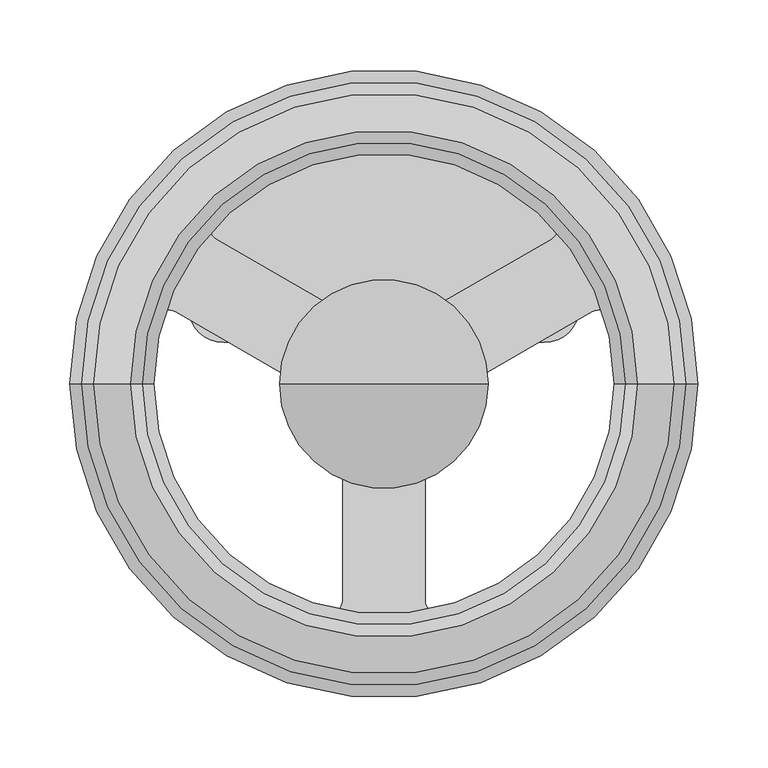
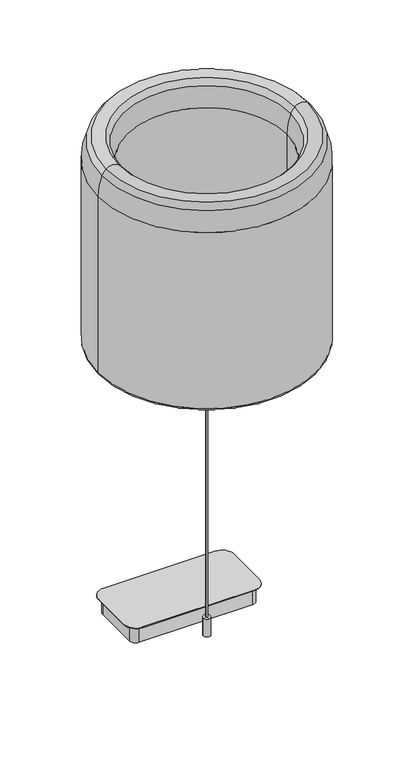
"""IFC4 building model written with IfcOpenShell, lengths in millimetres: light fixture geometry."""

from ifc_helpers import new_model, si_unit, point, frame, frame_2d, origin, origin_with_axes, origin_2d, place, context, project, spatial, polyline, circle_curve, ellipse_curve, trimmed, segment, composite_curve, outline, extrude, source, transform, mapped, element, save
from ifc_brep_helpers import plane_surface, cylinder_surface, revolved_surface, advanced_brep


def light_fixture_1a3c90e7(model_context):
    return source(origin(), model_context, "Body", "SolidModel", [
        extrude(outline(composite_curve([segment(trimmed(circle_curve(origin_2d(), 213.1181009), [point((-213.1181009, 0.0))], [point((213.1181009, 0.0))], False, "CARTESIAN"), True, "CONTINUOUS"), segment(trimmed(circle_curve(origin_2d(), 213.1181009), [point((213.1181009, 0.0))], [point((-213.1181009, 0.0))], False, "CARTESIAN"), True, "CONTINUOUS")], self_intersect=False), holes=[composite_curve([segment(polyline([(-54.0912483, -3.4226), (-149.5448402, 51.6875595)]), True, "CONTINUOUS"), segment(trimmed(circle_curve(frame_2d((-154.3708403, 43.3286824)), 9.652), [point((-149.5448402, 51.6875595))], [point((-163.6637284, 45.9370027))], True, "CARTESIAN"), True, "CONTINUOUS"), segment(trimmed(circle_curve(origin_2d(), 169.9883061), [point((-163.6637284, 45.9370027))], [point((-42.0533, -164.7044146))], True, "CARTESIAN"), True, "CONTINUOUS"), segment(trimmed(circle_curve(frame_2d((-39.6654978, -155.3524359)), 9.652), [point((-42.0533, -164.7044146))], [point((-30.0134978, -155.3524359))], True, "CARTESIAN"), True, "CONTINUOUS"), segment(polyline([(-30.0134978, -155.3524359), (-30.0134978, -45.1146631)]), True, "CONTINUOUS"), segment(trimmed(circle_curve(frame_2d((-40.9354978, -45.1146631)), 10.922), [point((-30.0134978, -45.1146631))], [point((-33.5853535, -37.0359589))], True, "CARTESIAN"), True, "CONTINUOUS"), segment(trimmed(circle_curve(frame_2d((0.2732604, 0.1787836)), 50.3124517), [point((-33.5853535, -37.0359589))], [point((-48.8815527, -10.55188))], False, "CARTESIAN"), True, "CONTINUOUS"), segment(trimmed(circle_curve(frame_2d((-59.5522485, -12.8813293)), 10.922), [point((-48.8815527, -10.55188))], [point((-54.0912483, -3.4226))], True, "CARTESIAN"), True, "CONTINUOUS")], self_intersect=False), composite_curve([segment(polyline([(-119.6918508, 103.7475033), (-24.7553785, 48.9359093)]), True, "CONTINUOUS"), segment(trimmed(circle_curve(frame_2d((-18.4053788, 59.9344321)), 12.7), [point((-24.7553785, 48.9359093))], [point((-14.6771479, 47.7939917))], True, "CARTESIAN"), True, "CONTINUOUS"), segment(trimmed(circle_curve(origin_2d(), 49.996843), [point((-14.6771479, 47.7939917))], [point((-6.0356694, 49.6311899))], False, "CARTESIAN"), True, "CONTINUOUS"), segment(trimmed(circle_curve(frame_2d((-5.7903643, 47.6140509)), 2.032), [point((-6.0356694, 49.6311899))], [point((-3.7583643, 47.6140509))], False, "CARTESIAN"), True, "CONTINUOUS"), segment(polyline([(-3.7583643, 47.6140509), (-3.7583643, 18.424465)]), True, "CONTINUOUS"), segment(trimmed(circle_curve(frame_2d((-0.0076309, 18.424465)), 3.7507334), [point((-3.7583643, 18.424465))], [point((3.7431025, 18.424465))], True, "CARTESIAN"), True, "CONTINUOUS"), segment(polyline([(3.7431025, 18.424465), (3.7431025, 47.5023113)]), True, "CONTINUOUS"), segment(trimmed(circle_curve(frame_2d((5.8756308, 47.5023113)), 2.1325283), [point((3.7431025, 47.5023113))], [point((6.1374115, 49.6187111))], False, "CARTESIAN"), True, "CONTINUOUS"), segment(trimmed(circle_curve(origin_2d(), 49.996843), [point((6.1374115, 49.6187111))], [point((14.6692018, 47.7964311))], False, "CARTESIAN"), True, "CONTINUOUS"), segment(trimmed(circle_curve(frame_2d((18.3954144, 59.9374912)), 12.7), [point((14.6692018, 47.7964311))], [point((24.7454139, 48.9389683))], True, "CARTESIAN"), True, "CONTINUOUS"), segment(polyline([(24.7454139, 48.9389683), (120.0132322, 103.9418637)]), True, "CONTINUOUS"), segment(trimmed(circle_curve(frame_2d((115.1872325, 112.3007411)), 9.652), [point((120.0132322, 103.9418637))], [point((122.1059732, 119.0306839))], True, "CARTESIAN"), True, "CONTINUOUS"), segment(trimmed(circle_curve(frame_2d((0.2550595, 0.5048259)), 169.9883061), [point((122.1059732, 119.0306839))], [point((-121.7959535, 118.8246233))], True, "CARTESIAN"), True, "CONTINUOUS"), segment(trimmed(circle_curve(frame_2d((-114.865851, 112.1063807)), 9.652), [point((-121.7959535, 118.8246233))], [point((-119.6918508, 103.7475033))], True, "CARTESIAN"), True, "CONTINUOUS")], self_intersect=False), composite_curve([segment(polyline([(149.542712, 51.6951415), (54.093449, -3.412516)]), True, "CONTINUOUS"), segment(trimmed(circle_curve(frame_2d((59.554449, -12.8712455)), 10.922), [point((54.093449, -3.412516))], [point((48.8833607, -10.5435947))], True, "CARTESIAN"), True, "CONTINUOUS"), segment(trimmed(circle_curve(frame_2d((-0.2732604, 0.1787836)), 50.3124517), [point((48.8833607, -10.5435947))], [point((33.5617786, -37.057394))], False, "CARTESIAN"), True, "CONTINUOUS"), segment(trimmed(circle_curve(frame_2d((40.8792287, -45.110403)), 10.8809939), [point((33.5617786, -37.057394))], [point((29.9982348, -45.110403))], True, "CARTESIAN"), True, "CONTINUOUS"), segment(polyline([(29.9982348, -45.110403), (29.9982348, -155.347735)]), True, "CONTINUOUS"), segment(trimmed(circle_curve(frame_2d((39.6569131, -155.347735)), 9.6586783), [point((29.9982348, -155.347735))], [point((42.0459499, -164.7062911))], True, "CARTESIAN"), True, "CONTINUOUS"), segment(trimmed(circle_curve(origin_2d(), 169.9883061), [point((42.0459499, -164.7062911))], [point((163.661472, 45.9450411))], True, "CARTESIAN"), True, "CONTINUOUS"), segment(trimmed(circle_curve(frame_2d((154.368712, 43.3362643)), 9.652), [point((163.661472, 45.9450411))], [point((149.542712, 51.6951415))], True, "CARTESIAN"), True, "CONTINUOUS")], self_intersect=False)]), frame((0.0, 0.0, 648.1075333), z_axis=(0.0, 0.0, 1.0), x_axis=(1.0, 0.0, 0.0)), (0.0, 0.0, 1.0), 3.0005436),
        extrude(outline(composite_curve([segment(trimmed(circle_curve(origin_2d(), 37.8076782), [point((36.124612, 11.1549514))], [point((37.7612494, 1.8731195))], False, "CARTESIAN"), True, "CONTINUOUS"), segment(polyline([(37.7612494, 1.8731195), (49.2962397, 1.8731195), (49.9905397, 1.3869654), (49.9905397, -1.3869654), (49.2962397, -1.8731195), (37.7612494, -1.8731195)]), True, "CONTINUOUS"), segment(trimmed(circle_curve(origin_2d(), 37.8076782), [point((37.7612494, -1.8731195))], [point((36.124612, -11.1549514))], False, "CARTESIAN"), True, "CONTINUOUS"), segment(polyline([(36.124612, -11.1549514), (46.9639572, -15.1001504), (47.4501113, -15.7944504), (46.5013711, -18.4010927), (45.682668, -18.6204635), (34.8433228, -14.6752645)]), True, "CONTINUOUS"), segment(trimmed(circle_curve(origin_2d(), 37.8076782), [point((34.8433228, -14.6752645))], [point((30.1308132, -22.8375704))], False, "CARTESIAN"), True, "CONTINUOUS"), segment(polyline([(30.1308132, -22.8375704), (38.9671284, -30.2521193), (39.1864993, -31.0708224), (37.4034509, -33.1957766), (36.5590925, -33.1219048), (27.7227772, -25.707356)]), True, "CONTINUOUS"), segment(trimmed(circle_curve(origin_2d(), 37.8076782), [point((27.7227772, -25.707356))], [point((20.5027937, -31.7656415))], False, "CARTESIAN"), True, "CONTINUOUS"), segment(polyline([(20.5027937, -31.7656415), (26.2702889, -41.7552361), (26.1964171, -42.5995946), (23.7941226, -43.98656), (23.0259508, -43.6283556), (17.2584556, -33.638761)]), True, "CONTINUOUS"), segment(trimmed(circle_curve(origin_2d(), 37.8076782), [point((17.2584556, -33.638761))], [point((8.4018347, -36.8623073))], False, "CARTESIAN"), True, "CONTINUOUS"), segment(polyline([(8.4018347, -36.8623073), (10.4048648, -48.2220552), (10.0466604, -48.990227), (7.3148718, -49.471915), (6.7155396, -48.8725828), (4.7125096, -37.5128349)]), True, "CONTINUOUS"), segment(trimmed(circle_curve(origin_2d(), 37.8076782), [point((4.7125096, -37.5128349))], [point((-4.7125096, -37.5128349))], False, "CARTESIAN"), True, "CONTINUOUS"), segment(polyline([(-4.7125096, -37.5128349), (-6.7155396, -48.8725828), (-7.3148718, -49.471915), (-10.0466604, -48.990227), (-10.4048648, -48.2220552), (-8.4018347, -36.8623073)]), True, "CONTINUOUS"), segment(trimmed(circle_curve(origin_2d(), 37.8076782), [point((-8.4018347, -36.8623073))], [point((-17.2584556, -33.638761))], False, "CARTESIAN"), True, "CONTINUOUS"), segment(polyline([(-17.2584556, -33.638761), (-23.0259508, -43.6283556), (-23.7941226, -43.98656), (-26.1964171, -42.5995946), (-26.2702889, -41.7552361), (-20.5027937, -31.7656415)]), True, "CONTINUOUS"), segment(trimmed(circle_curve(origin_2d(), 37.8076782), [point((-20.5027937, -31.7656415))], [point((-27.7227772, -25.707356))], False, "CARTESIAN"), True, "CONTINUOUS"), segment(polyline([(-27.7227772, -25.707356), (-36.5590925, -33.1219048), (-37.4034509, -33.1957766), (-39.1864993, -31.0708224), (-38.9671284, -30.2521193), (-30.1308132, -22.8375704)]), True, "CONTINUOUS"), segment(trimmed(circle_curve(origin_2d(), 37.8076782), [point((-30.1308132, -22.8375704))], [point((-34.8433228, -14.6752645))], False, "CARTESIAN"), True, "CONTINUOUS"), segment(polyline([(-34.8433228, -14.6752645), (-45.682668, -18.6204635), (-46.5013711, -18.4010927), (-47.4501113, -15.7944504), (-46.9639572, -15.1001504), (-36.124612, -11.1549514)]), True, "CONTINUOUS"), segment(trimmed(circle_curve(origin_2d(), 37.8076782), [point((-36.124612, -11.1549514))], [point((-37.7612494, -1.8731195))], False, "CARTESIAN"), True, "CONTINUOUS"), segment(polyline([(-37.7612494, -1.8731195), (-49.2962397, -1.8731195), (-49.9905397, -1.3869654), (-49.9905397, 1.3869654), (-49.2962397, 1.8731195), (-37.7612494, 1.8731195)]), True, "CONTINUOUS"), segment(trimmed(circle_curve(origin_2d(), 37.8076782), [point((-37.7612494, 1.8731195))], [point((-36.124612, 11.1549514))], False, "CARTESIAN"), True, "CONTINUOUS"), segment(polyline([(-36.124612, 11.1549514), (-46.9639572, 15.1001504), (-47.4501113, 15.7944504), (-46.5013711, 18.4010927), (-45.682668, 18.6204635), (-34.8433228, 14.6752645)]), True, "CONTINUOUS"), segment(trimmed(circle_curve(origin_2d(), 37.8076782), [point((-34.8433228, 14.6752645))], [point((-30.1308132, 22.8375704))], False, "CARTESIAN"), True, "CONTINUOUS"), segment(polyline([(-30.1308132, 22.8375704), (-38.9671284, 30.2521193), (-39.1864993, 31.0708224), (-37.4034509, 33.1957766), (-36.5590925, 33.1219048), (-27.7227772, 25.707356)]), True, "CONTINUOUS"), segment(trimmed(circle_curve(origin_2d(), 37.8076782), [point((-27.7227772, 25.707356))], [point((-20.5027937, 31.7656415))], False, "CARTESIAN"), True, "CONTINUOUS"), segment(polyline([(-20.5027937, 31.7656415), (-26.2702889, 41.7552361), (-26.1964171, 42.5995946), (-23.7941226, 43.98656), (-23.0259508, 43.6283556), (-17.2584556, 33.638761)]), True, "CONTINUOUS"), segment(trimmed(circle_curve(origin_2d(), 37.8076782), [point((-17.2584556, 33.638761))], [point((-8.4018347, 36.8623073))], False, "CARTESIAN"), True, "CONTINUOUS"), segment(polyline([(-8.4018347, 36.8623073), (-10.4048648, 48.2220552), (-10.0466604, 48.990227), (-7.3148718, 49.471915), (-6.7155396, 48.8725828), (-4.7125096, 37.5128349)]), True, "CONTINUOUS"), segment(trimmed(circle_curve(origin_2d(), 37.8076782), [point((-4.7125096, 37.5128349))], [point((4.7125096, 37.5128349))], False, "CARTESIAN"), True, "CONTINUOUS"), segment(polyline([(4.7125096, 37.5128349), (6.7155396, 48.8725828), (7.3148718, 49.471915), (10.0466604, 48.990227), (10.4048648, 48.2220552), (8.4018347, 36.8623073)]), True, "CONTINUOUS"), segment(trimmed(circle_curve(origin_2d(), 37.8076782), [point((8.4018347, 36.8623073))], [point((17.2584556, 33.638761))], False, "CARTESIAN"), True, "CONTINUOUS"), segment(polyline([(17.2584556, 33.638761), (23.0259508, 43.6283556), (23.7941226, 43.98656), (26.1964171, 42.5995946), (26.2702889, 41.7552361), (20.5027937, 31.7656415)]), True, "CONTINUOUS"), segment(trimmed(circle_curve(origin_2d(), 37.8076782), [point((20.5027937, 31.7656415))], [point((27.7227772, 25.707356))], False, "CARTESIAN"), True, "CONTINUOUS"), segment(polyline([(27.7227772, 25.707356), (36.5590925, 33.1219048), (37.4034509, 33.1957766), (39.1864993, 31.0708224), (38.9671284, 30.2521193), (30.1308132, 22.8375704)]), True, "CONTINUOUS"), segment(trimmed(circle_curve(origin_2d(), 37.8076782), [point((30.1308132, 22.8375704))], [point((34.8433228, 14.6752645))], False, "CARTESIAN"), True, "CONTINUOUS"), segment(polyline([(34.8433228, 14.6752645), (45.682668, 18.6204635), (46.5013711, 18.4010927), (47.4501113, 15.7944504), (46.9639572, 15.1001504), (36.124612, 11.1549514)]), True, "CONTINUOUS")], self_intersect=False)), frame((0.0, 0.0, 651.1080769), z_axis=(0.0, 0.0, 1.0), x_axis=(1.0, 0.0, 0.0)), (0.0, 0.0, 1.0), 60.5118587),
        advanced_brep(
        [(-18.2476326, 0.0, 711.6199356), (18.2476326, 0.0, 711.6199356), (0.0, 0.0, 711.6199356), (-50.736755, 0.0, 713.4355345), (50.736755, 0.0, 713.4355345), (-51.4676513, 0.0, 714.0407366), (51.4676513, 0.0, 714.0407366), (0.0, 0.0, 843.452441)],
        [
            (0, 1, circle_curve(frame((0.0, 0.0, 711.6199356), z_axis=(0.0, 0.0, -1.0), x_axis=(1.0, 0.0, 0.0)), 18.2476326)),
            (1, 2),
            (2, 0),
            (1, 0, circle_curve(frame((0.0, 0.0, 711.6199356), z_axis=(0.0, 0.0, -1.0), x_axis=(1.0, 0.0, 0.0)), 18.2476326)),
            (3, 4, circle_curve(frame((0.0, 0.0, 713.4355345), z_axis=(0.0, 0.0, -1.0), x_axis=(1.0, 0.0, 0.0)), 50.736755)),
            (4, 1, circle_curve(frame((19.5899482, 0.0, 979.1950529), z_axis=(0.0, 1.0, 0.0), x_axis=(1.0, 0.0, 0.0)), 267.5784842)),
            (0, 3, circle_curve(frame((-19.5899482, 0.0, 979.1950529), z_axis=(0.0, 1.0, 0.0), x_axis=(-1.0, 0.0, 0.0)), 267.5784842)),
            (4, 3, circle_curve(frame((0.0, 0.0, 713.4355345), z_axis=(0.0, 0.0, -1.0), x_axis=(1.0, 0.0, 0.0)), 50.736755)),
            (5, 6, circle_curve(frame((0.0, 0.0, 714.0407366), z_axis=(0.0, 0.0, -1.0), x_axis=(1.0, 0.0, 0.0)), 51.4676513)),
            (6, 4, circle_curve(frame((47.5069212, 0.0, 718.0801202), z_axis=(0.0, 1.0, 0.0), x_axis=(1.0, 0.0, 0.0)), 5.657208)),
            (3, 5, circle_curve(frame((-47.5069212, 0.0, 718.0801202), z_axis=(0.0, 1.0, 0.0), x_axis=(-1.0, 0.0, 0.0)), 5.657208)),
            (6, 5, circle_curve(frame((0.0, 0.0, 714.0407366), z_axis=(0.0, 0.0, -1.0), x_axis=(1.0, 0.0, 0.0)), 51.4676513)),
            (7, 6, circle_curve(frame((-0.2606426, 0.0, 768.408465), z_axis=(0.0, 1.0, 0.0), x_axis=(1.0, 0.0, 0.0)), 75.0444287)),
            (5, 7, circle_curve(frame((0.2606426, 0.0, 768.408465), z_axis=(0.0, 1.0, 0.0), x_axis=(-1.0, 0.0, 0.0)), 75.0444287)),
        ],
        [
            plane_surface(frame((0.0, 0.0, 711.6199356), z_axis=(0.0, 0.0, -1.0), x_axis=(1.0, 0.0, 0.0))),
            revolved_surface(trimmed(ellipse_curve(frame((19.5899482, 0.0, 979.1950529), z_axis=(0.0, -1.0, 0.0), x_axis=(1.0, 0.0, 0.0)), 267.5784842, 267.5784842), [point((18.2476326, 0.0, 711.6199356))], [point((50.736755, 0.0, 713.4355345))], True, "CARTESIAN"), (0.0, 0.0, 965.6199356), (0.0, 0.0, 1.0)),
            revolved_surface(trimmed(ellipse_curve(frame((47.5069212, 0.0, 718.0801202), z_axis=(0.0, -1.0, 0.0), x_axis=(1.0, 0.0, 0.0)), 5.657208, 5.657208), [point((50.736755, 0.0, 713.4355345))], [point((51.4676513, 0.0, 714.0407366))], True, "CARTESIAN"), (0.0, 0.0, 965.6199356), (0.0, 0.0, 1.0)),
            revolved_surface(trimmed(ellipse_curve(frame((-0.2606426, 0.0, 768.408465), z_axis=(0.0, -1.0, 0.0), x_axis=(1.0, 0.0, 0.0)), 75.0444287, 75.0444287), [point((51.4676513, 0.0, 714.0407366))], [point((0.0, 0.0, 843.452441))], True, "CARTESIAN"), (0.0, 0.0, 965.6199356), (0.0, 0.0, 1.0)),
        ],
        [
            (0, [[1, 2, 3]]),
            (0, [[4, -3, -2]]),
            (1, [[5, 6, -1, 7]]),
            (1, [[8, -7, -4, -6]]),
            (2, [[9, 10, -5, 11]]),
            (2, [[12, -11, -8, -10]]),
            (3, [[13, -9, 14]]),
            (3, [[-14, -12, -13]]),
        ],
    ),
        advanced_brep(
        [(-165.0322595, 0.0, 656.3624635), (165.0322595, 0.0, 656.3624635), (165.0322595, 0.0, 1035.6416039), (-165.0322595, 0.0, 1035.6416039), (-170.4569846, 0.0, 650.9377384), (170.4569846, 0.0, 650.9377384), (-213.1181009, 0.0, 650.9377384), (213.1181009, 0.0, 650.9377384), (-213.1181009, 0.0, 649.876369), (213.1181009, 0.0, 649.876369), (-216.8766408, 0.0, 646.1178291), (216.8766408, 0.0, 646.1178291), (-220.3911932, 0.0, 646.1178291), (220.3911932, 0.0, 646.1178291), (-225.2324801, 0.0, 650.9591161), (225.2324801, 0.0, 650.9591161), (-225.2324801, 0.0, 1035.6416039), (225.2324801, 0.0, 1035.6416039), (-216.9484603, 0.0, 1078.2641962), (216.9484603, 0.0, 1078.2641962), (-208.3561767, 0.0, 1090.091007), (208.3561767, 0.0, 1090.091007), (-181.9085628, 0.0, 1090.091007), (181.9085628, 0.0, 1090.091007), (-173.3162792, 0.0, 1078.2641962), (173.3162792, 0.0, 1078.2641962)],
        [
            (0, 1, circle_curve(frame((0.0, 0.0, 656.3624635), z_axis=(0.0, 0.0, -1.0), x_axis=(1.0, 0.0, 0.0)), 165.0322595)),
            (1, 2),
            (2, 3, circle_curve(frame((0.0, 0.0, 1035.6416039), z_axis=(0.0, 0.0, 1.0), x_axis=(1.0, 0.0, 0.0)), 165.0322595)),
            (3, 0),
            (1, 0, circle_curve(frame((0.0, 0.0, 656.3624635), z_axis=(0.0, 0.0, -1.0), x_axis=(1.0, 0.0, 0.0)), 165.0322595)),
            (3, 2, circle_curve(frame((0.0, 0.0, 1035.6416039), z_axis=(0.0, 0.0, 1.0), x_axis=(1.0, 0.0, 0.0)), 165.0322595)),
            (4, 5, circle_curve(frame((0.0, 0.0, 650.9377384), z_axis=(0.0, 0.0, -1.0), x_axis=(1.0, 0.0, 0.0)), 170.4569846)),
            (5, 1, circle_curve(frame((170.4569846, 0.0, 656.3624635), z_axis=(0.0, 1.0, 0.0), x_axis=(1.0, 0.0, 0.0)), 5.4247251)),
            (0, 4, circle_curve(frame((-170.4569846, 0.0, 656.3624635), z_axis=(0.0, 1.0, 0.0), x_axis=(-1.0, 0.0, 0.0)), 5.4247251)),
            (5, 4, circle_curve(frame((0.0, 0.0, 650.9377384), z_axis=(0.0, 0.0, -1.0), x_axis=(1.0, 0.0, 0.0)), 170.4569846)),
            (6, 7, circle_curve(frame((0.0, 0.0, 650.9377384), z_axis=(0.0, 0.0, -1.0), x_axis=(1.0, 0.0, 0.0)), 213.1181009)),
            (7, 5),
            (4, 6),
            (7, 6, circle_curve(frame((0.0, 0.0, 650.9377384), z_axis=(0.0, 0.0, -1.0), x_axis=(1.0, 0.0, 0.0)), 213.1181009)),
            (8, 9, circle_curve(frame((0.0, 0.0, 649.876369), z_axis=(0.0, 0.0, -1.0), x_axis=(1.0, 0.0, 0.0)), 213.1181009)),
            (9, 7),
            (6, 8),
            (9, 8, circle_curve(frame((0.0, 0.0, 649.876369), z_axis=(0.0, 0.0, -1.0), x_axis=(1.0, 0.0, 0.0)), 213.1181009)),
            (10, 11, circle_curve(frame((0.0, 0.0, 646.1178291), z_axis=(0.0, 0.0, -1.0), x_axis=(1.0, 0.0, 0.0)), 216.8766408)),
            (11, 9, circle_curve(frame((216.8766408, 0.0, 649.876369), z_axis=(0.0, 1.0, 0.0), x_axis=(1.0, 0.0, 0.0)), 3.7585398)),
            (8, 10, circle_curve(frame((-216.8766408, 0.0, 649.876369), z_axis=(0.0, 1.0, 0.0), x_axis=(-1.0, 0.0, 0.0)), 3.7585398)),
            (11, 10, circle_curve(frame((0.0, 0.0, 646.1178291), z_axis=(0.0, 0.0, -1.0), x_axis=(1.0, 0.0, 0.0)), 216.8766408)),
            (12, 13, circle_curve(frame((0.0, 0.0, 646.1178291), z_axis=(0.0, 0.0, -1.0), x_axis=(1.0, 0.0, 0.0)), 220.3911932)),
            (13, 11),
            (10, 12),
            (13, 12, circle_curve(frame((0.0, 0.0, 646.1178291), z_axis=(0.0, 0.0, -1.0), x_axis=(1.0, 0.0, 0.0)), 220.3911932)),
            (14, 15, circle_curve(frame((0.0, 0.0, 650.9591161), z_axis=(0.0, 0.0, -1.0), x_axis=(1.0, 0.0, 0.0)), 225.2324801)),
            (15, 13, circle_curve(frame((220.3911932, 0.0, 650.9591161), z_axis=(0.0, 1.0, 0.0), x_axis=(1.0, 0.0, 0.0)), 4.8412869)),
            (12, 14, circle_curve(frame((-220.3911932, 0.0, 650.9591161), z_axis=(0.0, 1.0, 0.0), x_axis=(-1.0, 0.0, 0.0)), 4.8412869)),
            (15, 14, circle_curve(frame((0.0, 0.0, 650.9591161), z_axis=(0.0, 0.0, -1.0), x_axis=(1.0, 0.0, 0.0)), 225.2324801)),
            (16, 17, circle_curve(frame((0.0, 0.0, 1035.6416039), z_axis=(0.0, 0.0, -1.0), x_axis=(1.0, 0.0, 0.0)), 225.2324801)),
            (17, 15),
            (14, 16),
            (17, 16, circle_curve(frame((0.0, 0.0, 1035.6416039), z_axis=(0.0, 0.0, -1.0), x_axis=(1.0, 0.0, 0.0)), 225.2324801)),
            (18, 19, circle_curve(frame((0.0, 0.0, 1078.2641962), z_axis=(0.0, 0.0, -1.0), x_axis=(1.0, 0.0, 0.0)), 216.9484603)),
            (19, 17, circle_curve(frame((111.4404801, 0.0, 1035.6416039), z_axis=(0.0, 1.0, 0.0), x_axis=(1.0, 0.0, 0.0)), 113.792)),
            (16, 18, circle_curve(frame((-111.4404801, 0.0, 1035.6416039), z_axis=(0.0, 1.0, 0.0), x_axis=(-1.0, 0.0, 0.0)), 113.792)),
            (19, 18, circle_curve(frame((0.0, 0.0, 1078.2641962), z_axis=(0.0, 0.0, -1.0), x_axis=(1.0, 0.0, 0.0)), 216.9484603)),
            (20, 21, circle_curve(frame((0.0, 0.0, 1090.091007), z_axis=(0.0, 0.0, -1.0), x_axis=(1.0, 0.0, 0.0)), 208.3561767)),
            (21, 19, circle_curve(frame((188.937167, 0.0, 1066.9483324), z_axis=(0.0, 1.0, 0.0), x_axis=(1.0, 0.0, 0.0)), 30.2106162)),
            (18, 20, circle_curve(frame((-188.937167, 0.0, 1066.9483324), z_axis=(0.0, 1.0, 0.0), x_axis=(-1.0, 0.0, 0.0)), 30.2106162)),
            (21, 20, circle_curve(frame((0.0, 0.0, 1090.091007), z_axis=(0.0, 0.0, -1.0), x_axis=(1.0, 0.0, 0.0)), 208.3561767)),
            (22, 23, circle_curve(frame((0.0, 0.0, 1090.091007), z_axis=(0.0, 0.0, -1.0), x_axis=(1.0, 0.0, 0.0)), 181.9085628)),
            (23, 21, circle_curve(frame((195.1323698, 0.0, 1074.3314876), z_axis=(0.0, 1.0, 0.0), x_axis=(1.0, 0.0, 0.0)), 20.5725915)),
            (20, 22, circle_curve(frame((-195.1323698, 0.0, 1074.3314876), z_axis=(0.0, 1.0, 0.0), x_axis=(-1.0, 0.0, 0.0)), 20.5725915)),
            (23, 22, circle_curve(frame((0.0, 0.0, 1090.091007), z_axis=(0.0, 0.0, -1.0), x_axis=(1.0, 0.0, 0.0)), 181.9085628)),
            (24, 25, circle_curve(frame((0.0, 0.0, 1078.2641962), z_axis=(0.0, 0.0, -1.0), x_axis=(1.0, 0.0, 0.0)), 173.3162792)),
            (25, 23, circle_curve(frame((201.3275726, 0.0, 1066.9483324), z_axis=(0.0, 1.0, 0.0), x_axis=(1.0, 0.0, 0.0)), 30.2106162)),
            (22, 24, circle_curve(frame((-201.3275726, 0.0, 1066.9483324), z_axis=(0.0, 1.0, 0.0), x_axis=(-1.0, 0.0, 0.0)), 30.2106162)),
            (25, 24, circle_curve(frame((0.0, 0.0, 1078.2641962), z_axis=(0.0, 0.0, -1.0), x_axis=(1.0, 0.0, 0.0)), 173.3162792)),
            (2, 25, circle_curve(frame((278.8242595, 0.0, 1035.6416039), z_axis=(0.0, 1.0, 0.0), x_axis=(1.0, 0.0, 0.0)), 113.792)),
            (24, 3, circle_curve(frame((-278.8242595, 0.0, 1035.6416039), z_axis=(0.0, 1.0, 0.0), x_axis=(-1.0, 0.0, 0.0)), 113.792)),
        ],
        [
            revolved_surface(polyline([(165.0322595, 0.0, 1035.6416039), (165.0322595, 0.0, 656.3624635)]), (0.0, 0.0, 562.0377384), (0.0, 0.0, 1.0)),
            revolved_surface(trimmed(ellipse_curve(frame((170.4569846, 0.0, 656.3624635), z_axis=(0.0, -1.0, 0.0), x_axis=(1.0, 0.0, 0.0)), 5.4247251, 5.4247251), [point((165.0322595, 0.0, 656.3624635))], [point((170.4569846, 0.0, 650.9377384))], True, "CARTESIAN"), (0.0, 0.0, 562.0377384), (0.0, 0.0, 1.0)),
            plane_surface(frame((0.0, 0.0, 650.9377384), z_axis=(0.0, 0.0, -1.0), x_axis=(1.0, 0.0, 0.0))),
            revolved_surface(polyline([(213.1181009, 0.0, 650.9377384), (213.1181009, 0.0, 649.876369)]), (0.0, 0.0, 562.0377384), (0.0, 0.0, 1.0)),
            revolved_surface(trimmed(ellipse_curve(frame((216.8766408, 0.0, 649.876369), z_axis=(0.0, -1.0, 0.0), x_axis=(1.0, 0.0, 0.0)), 3.7585398, 3.7585398), [point((213.1181009, 0.0, 649.876369))], [point((216.8766408, 0.0, 646.1178291))], True, "CARTESIAN"), (0.0, 0.0, 562.0377384), (0.0, 0.0, 1.0)),
            plane_surface(frame((0.0, 0.0, 646.1178291), z_axis=(0.0, 0.0, -1.0), x_axis=(1.0, 0.0, 0.0))),
            revolved_surface(trimmed(ellipse_curve(frame((220.3911932, 0.0, 650.9591161), z_axis=(0.0, -1.0, 0.0), x_axis=(1.0, 0.0, 0.0)), 4.8412869, 4.8412869), [point((220.3911932, 0.0, 646.1178291))], [point((225.2324801, 0.0, 650.9591161))], True, "CARTESIAN"), (0.0, 0.0, 562.0377384), (0.0, 0.0, 1.0)),
            cylinder_surface(frame((0.0, 0.0, 562.0377384), z_axis=(0.0, 0.0, 1.0), x_axis=(1.0, 0.0, 0.0)), 225.2324801),
            revolved_surface(trimmed(ellipse_curve(frame((111.4404801, 0.0, 1035.6416039), z_axis=(0.0, -1.0, 0.0), x_axis=(1.0, 0.0, 0.0)), 113.792, 113.792), [point((225.2324801, 0.0, 1035.6416039))], [point((216.9484603, 0.0, 1078.2641962))], True, "CARTESIAN"), (0.0, 0.0, 562.0377384), (0.0, 0.0, 1.0)),
            revolved_surface(trimmed(ellipse_curve(frame((188.937167, 0.0, 1066.9483324), z_axis=(0.0, -1.0, 0.0), x_axis=(1.0, 0.0, 0.0)), 30.2106162, 30.2106162), [point((216.9484603, 0.0, 1078.2641962))], [point((208.3561767, 0.0, 1090.091007))], True, "CARTESIAN"), (0.0, 0.0, 562.0377384), (0.0, 0.0, 1.0)),
            revolved_surface(trimmed(ellipse_curve(frame((195.1323698, 0.0, 1074.3314876), z_axis=(0.0, -1.0, 0.0), x_axis=(1.0, 0.0, 0.0)), 20.5725915, 20.5725915), [point((208.3561767, 0.0, 1090.091007))], [point((181.9085628, 0.0, 1090.091007))], True, "CARTESIAN"), (0.0, 0.0, 562.0377384), (0.0, 0.0, 1.0)),
            revolved_surface(trimmed(ellipse_curve(frame((201.3275726, 0.0, 1066.9483324), z_axis=(0.0, -1.0, 0.0), x_axis=(1.0, 0.0, 0.0)), 30.2106162, 30.2106162), [point((181.9085628, 0.0, 1090.091007))], [point((173.3162792, 0.0, 1078.2641962))], True, "CARTESIAN"), (0.0, 0.0, 562.0377384), (0.0, 0.0, 1.0)),
            revolved_surface(trimmed(ellipse_curve(frame((278.8242595, 0.0, 1035.6416039), z_axis=(0.0, -1.0, 0.0), x_axis=(1.0, 0.0, 0.0)), 113.792, 113.792), [point((173.3162792, 0.0, 1078.2641962))], [point((165.0322595, 0.0, 1035.6416039))], True, "CARTESIAN"), (0.0, 0.0, 562.0377384), (0.0, 0.0, 1.0)),
        ],
        [
            (0, [[1, 2, 3, 4]]),
            (0, [[5, -4, 6, -2]]),
            (1, [[7, 8, -1, 9]]),
            (1, [[10, -9, -5, -8]]),
            (2, [[11, 12, -7, 13]]),
            (2, [[14, -13, -10, -12]]),
            (3, [[15, 16, -11, 17]]),
            (3, [[18, -17, -14, -16]]),
            (4, [[19, 20, -15, 21]]),
            (4, [[22, -21, -18, -20]]),
            (5, [[23, 24, -19, 25]]),
            (5, [[26, -25, -22, -24]]),
            (6, [[27, 28, -23, 29]]),
            (6, [[30, -29, -26, -28]]),
            (7, [[31, 32, -27, 33]]),
            (7, [[34, -33, -30, -32]]),
            (8, [[35, 36, -31, 37]]),
            (8, [[38, -37, -34, -36]]),
            (9, [[39, 40, -35, 41]]),
            (9, [[42, -41, -38, -40]]),
            (10, [[43, 44, -39, 45]]),
            (10, [[46, -45, -42, -44]]),
            (11, [[47, 48, -43, 49]]),
            (11, [[50, -49, -46, -48]]),
            (12, [[-3, 51, -47, 52]]),
            (12, [[-6, -52, -50, -51]]),
        ],
    ),
        extrude(outline(composite_curve([segment(trimmed(circle_curve(frame_2d((114.785421, 144.7912929)), 25.4), [point((114.785421, 170.1912929))], [point((140.185421, 144.7912929))], False, "CARTESIAN"), True, "CONTINUOUS"), segment(polyline([(140.185421, 144.7912929), (140.185421, 55.2478232)]), True, "CONTINUOUS"), segment(trimmed(circle_curve(frame_2d((114.785421, 55.2478232)), 25.4), [point((140.185421, 55.2478232))], [point((114.785421, 29.8478232))], False, "CARTESIAN"), True, "CONTINUOUS"), segment(polyline([(114.785421, 29.8478232), (-114.785421, 29.8478232)]), True, "CONTINUOUS"), segment(trimmed(circle_curve(frame_2d((-114.785421, 55.2478232)), 25.4), [point((-114.785421, 29.8478232))], [point((-140.185421, 55.2478232))], False, "CARTESIAN"), True, "CONTINUOUS"), segment(polyline([(-140.185421, 55.2478232), (-140.185421, 144.7912929)]), True, "CONTINUOUS"), segment(trimmed(circle_curve(frame_2d((-114.785421, 144.7912929)), 25.4), [point((-140.185421, 144.7912929))], [point((-114.785421, 170.1912929))], False, "CARTESIAN"), True, "CONTINUOUS"), segment(polyline([(-114.785421, 170.1912929), (114.785421, 170.1912929)]), True, "CONTINUOUS")], self_intersect=False)), frame((0.0, 0.0, 37.0073341), z_axis=(0.0, 0.0, 1.0), x_axis=(1.0, 0.0, 0.0)), (0.0, 0.0, 1.0), 1.5001991),
        extrude(outline(composite_curve([segment(trimmed(circle_curve(frame_2d((117.325421, 147.3312929)), 12.7), [point((117.325421, 160.0312929))], [point((130.025421, 147.3312929))], False, "CARTESIAN"), True, "CONTINUOUS"), segment(polyline([(130.025421, 147.3312929), (130.025421, 52.7078232)]), True, "CONTINUOUS"), segment(trimmed(circle_curve(frame_2d((117.325421, 52.7078232)), 12.7), [point((130.025421, 52.7078232))], [point((117.325421, 40.0078232))], False, "CARTESIAN"), True, "CONTINUOUS"), segment(polyline([(117.325421, 40.0078232), (-117.325421, 40.0078232)]), True, "CONTINUOUS"), segment(trimmed(circle_curve(frame_2d((-117.325421, 52.7078232)), 12.7), [point((-117.325421, 40.0078232))], [point((-130.025421, 52.7078232))], False, "CARTESIAN"), True, "CONTINUOUS"), segment(polyline([(-130.025421, 52.7078232), (-130.025421, 147.3312929)]), True, "CONTINUOUS"), segment(trimmed(circle_curve(frame_2d((-117.325421, 147.3312929)), 12.7), [point((-130.025421, 147.3312929))], [point((-117.325421, 160.0312929))], False, "CARTESIAN"), True, "CONTINUOUS"), segment(polyline([(-117.325421, 160.0312929), (117.325421, 160.0312929)]), True, "CONTINUOUS")], self_intersect=False)), origin_with_axes(), (0.0, 0.0, 1.0), 37.0073341),
        extrude(outline(composite_curve([segment(trimmed(circle_curve(origin_2d(), 2.0133063), [point((-2.0133063, 0.0))], [point((2.0133063, 0.0))], False, "CARTESIAN"), True, "CONTINUOUS"), segment(trimmed(circle_curve(origin_2d(), 2.0133063), [point((2.0133063, 0.0))], [point((-2.0133063, 0.0))], False, "CARTESIAN"), True, "CONTINUOUS")], self_intersect=False)), frame((0.0, 0.0, 38.5075333), z_axis=(0.0, 0.0, 1.0), x_axis=(1.0, 0.0, 0.0)), (0.0, 0.0, 1.0), 609.6),
        extrude(outline(composite_curve([segment(trimmed(circle_curve(origin_2d(), 7.4085182), [point((-7.4085182, 0.0))], [point((7.4085182, 0.0))], False, "CARTESIAN"), True, "CONTINUOUS"), segment(trimmed(circle_curve(origin_2d(), 7.4085182), [point((7.4085182, 0.0))], [point((-7.4085182, 0.0))], False, "CARTESIAN"), True, "CONTINUOUS")], self_intersect=False)), origin_with_axes(), (0.0, 0.0, 1.0), 38.5075333),
    ])


if __name__ == "__main__":
    model = new_model("IFC4")
    model_context = context("Model", 3, world=origin())
    ifc_project = project(units=[si_unit("LENGTHUNIT", "METRE", prefix="MILLI")], contexts=[model_context])
    site = spatial("IfcSite", under=ifc_project)
    building = spatial("IfcBuilding", under=site)
    placement = place(None, origin())
    light_fixture_shape = light_fixture_1a3c90e7(model_context)
    element("IfcLightFixture", 1, at=placement, inside=building, context=model_context, shape_type="MappedRepresentation", body=[
        mapped(light_fixture_shape, transform((0.0, 0.0, 0.0), x_axis=(1.0, 0.0, 0.0), y_axis=(0.0, 1.0, 0.0), z_axis=(0.0, 0.0, 1.0))),
    ])
    save(model, "model.ifc")
